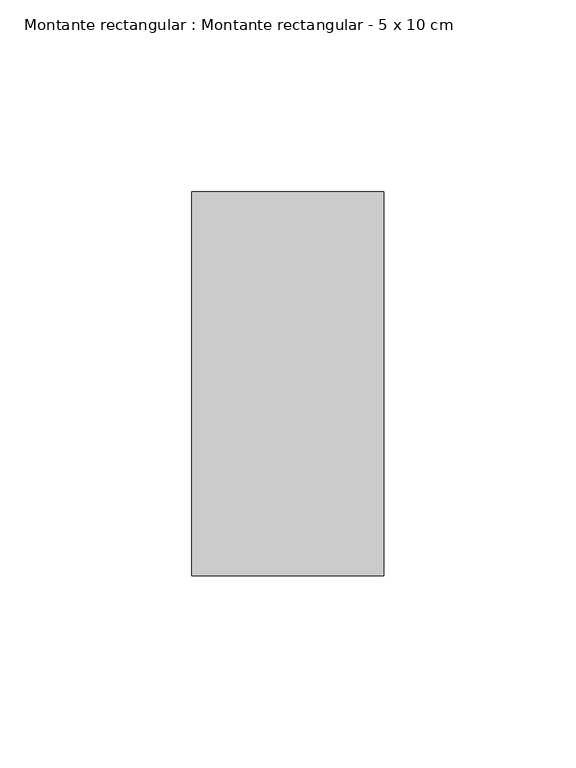
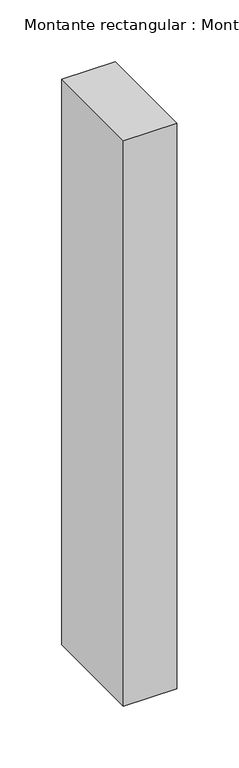
"""IFC4 building model written with IfcOpenShell, lengths in millimetres: member geometry, Montante rectangular : Montante rectangular - 5 x 10 cm."""

from ifc_helpers import new_model, si_unit, frame, origin, place, context, project, spatial, polyline, outline, extrude, source, transform, mapped, element, save


def montante_rectangular_montante_rectangular_5_x_10_cm_68859ede(model_context):
    return source(origin(), model_context, "Body", "SweptSolid", [
        extrude(outline(polyline([(-50.0, 50.0), (0.0, 50.0), (0.0, -50.0), (-50.0, -50.0), (-50.0, 50.0)])), frame((0.0, 0.0, -559.0), z_axis=(0.0, 0.0, 1.0), x_axis=(1.0, 0.0, 0.0)), (0.0, 0.0, 1.0), 559.0),
    ])


if __name__ == "__main__":
    model = new_model("IFC4")
    model_context = context("Model", 3, world=origin())
    ifc_project = project(units=[si_unit("LENGTHUNIT", "METRE", prefix="MILLI")], contexts=[model_context])
    site = spatial("IfcSite", under=ifc_project)
    building = spatial("IfcBuilding", under=site)
    placement = place(None, origin())
    montante_rectangular_montante_rectangular_5_x_10_cm_shape = montante_rectangular_montante_rectangular_5_x_10_cm_68859ede(model_context)
    element("IfcMember", 1, ObjectType="Montante rectangular : Montante rectangular - 5 x 10 cm", at=placement, inside=building, context=model_context, shape_type="MappedRepresentation", body=[
        mapped(montante_rectangular_montante_rectangular_5_x_10_cm_shape, transform((0.0, 0.0, 0.0), x_axis=(1.0, 0.0, 0.0), y_axis=(0.0, 1.0, 0.0), z_axis=(0.0, 0.0, 1.0))),
    ])
    save(model, "model.ifc")
